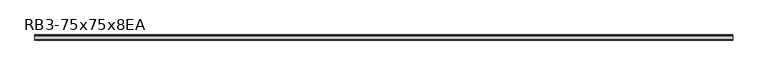
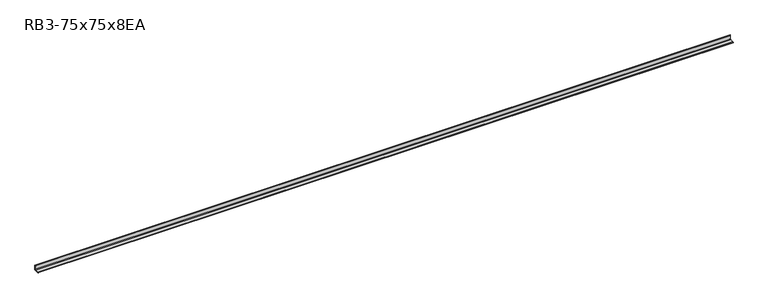
"""IFC4 building model written with IfcOpenShell, lengths in millimetres: member geometry, RB3-75x75x8EA."""

from ifc_helpers import new_model, si_unit, point, frame, frame_2d, origin, place, context, project, spatial, polyline, circle_curve, trimmed, segment, composite_curve, outline, extrude, source, transform, mapped, element, save


def rb3_75x75x8ea_62057c9e(model_context):
    return source(origin(), model_context, "Body", "SweptSolid", [
        extrude(outline(composite_curve([segment(polyline([(21.3, -21.3), (-53.7, -21.3), (-53.7, -18.3)]), True, "CONTINUOUS"), segment(trimmed(circle_curve(frame_2d((-48.7, -18.3)), 5.0), [point((-53.7, -18.3))], [point((-48.7, -13.3))], False, "CARTESIAN"), True, "CONTINUOUS"), segment(polyline([(-48.7, -13.3), (5.3, -13.3)]), True, "CONTINUOUS"), segment(trimmed(circle_curve(frame_2d((5.3, -5.3)), 8.0), [point((5.3, -13.3))], [point((13.3, -5.3))], True, "CARTESIAN"), True, "CONTINUOUS"), segment(polyline([(13.3, -5.3), (13.3, 48.7)]), True, "CONTINUOUS"), segment(trimmed(circle_curve(frame_2d((18.3, 48.7)), 5.0), [point((13.3, 48.7))], [point((18.3, 53.7))], False, "CARTESIAN"), True, "CONTINUOUS"), segment(polyline([(18.3, 53.7), (21.3, 53.7), (21.3, -21.3)]), True, "CONTINUOUS")], self_intersect=False)), frame((-5147.0, 0.0, 0.0), z_axis=(1.0, 0.0, 0.0), x_axis=(0.0, 1.0, 0.0)), (0.0, 0.0, 1.0), 10260.0),
    ])


if __name__ == "__main__":
    model = new_model("IFC4")
    model_context = context("Model", 3, world=origin())
    ifc_project = project(units=[si_unit("LENGTHUNIT", "METRE", prefix="MILLI")], contexts=[model_context])
    site = spatial("IfcSite", under=ifc_project)
    building = spatial("IfcBuilding", under=site)
    placement = place(None, origin())
    rb3_75x75x8ea_shape = rb3_75x75x8ea_62057c9e(model_context)
    element("IfcMember", 1, ObjectType="RB3-75x75x8EA", at=placement, inside=building, context=model_context, shape_type="MappedRepresentation", body=[
        mapped(rb3_75x75x8ea_shape, transform((0.0, 0.0, 0.0), x_axis=(1.0, 0.0, 0.0), y_axis=(0.0, 1.0, 0.0), z_axis=(0.0, 0.0, 1.0))),
    ])
    save(model, "model.ifc")
